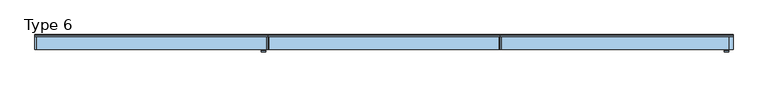
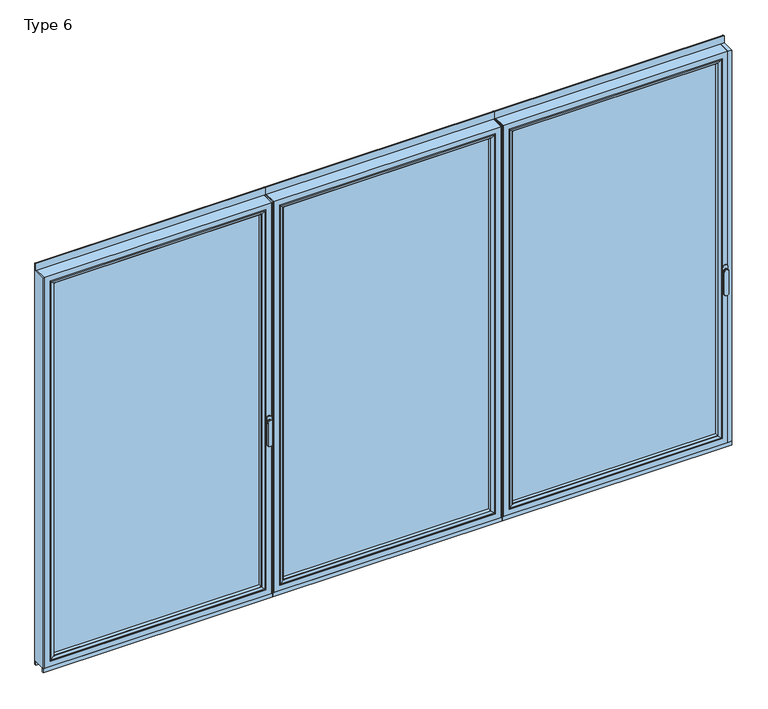
"""IFC4 building model written with IfcOpenShell, lengths in millimetres: window geometry, Type 6."""

from ifc_helpers import new_model, si_unit, point, frame, frame_2d, origin, place, context, project, spatial, polyline, circle_curve, ellipse_curve, trimmed, segment, composite_curve, outline, extrude, source, transform, mapped, element, save
from ifc_brep_helpers import plane_surface, cylinder_surface, extruded_surface, advanced_brep


def type_6_793175e4(model_context):
    return source(origin(), model_context, "Body", "SolidModel", [
        advanced_brep(
        [(-2571.3219146, -63.5, 1050.0), (-2547.344653, -63.5, 1050.0), (-2547.344653, -66.8965533, 1050.0), (-2571.3219146, -66.8965533, 1050.0), (-2571.3219146, -74.5, 1050.0), (-2571.3219146, -74.5, 918.6867153), (-2547.344653, -74.5, 918.6867153), (-2547.344653, -74.5, 1050.0), (-2547.344653, -66.8965533, 918.6867153), (-2571.3219146, -66.8965533, 918.6867153)],
        [
            (0, 1, circle_curve(frame((-2559.3332838, -63.5, 1050.0), z_axis=(0.0, 1.0, 0.0), x_axis=(1.0, 0.0, 0.0)), 11.9886308)),
            (1, 0, circle_curve(frame((-2559.3332838, -63.5, 1050.0), z_axis=(0.0, 1.0, 0.0), x_axis=(1.0, 0.0, 0.0)), 11.9886308)),
            (1, 2),
            (2, 3, circle_curve(frame((-2559.3332838, -66.8965533, 1050.0), z_axis=(0.0, 1.0, 0.0), x_axis=(1.0, 0.0, 0.0)), 11.9886308)),
            (3, 0),
            (3, 2, circle_curve(frame((-2559.3332838, -66.8965533, 1050.0), z_axis=(0.0, 1.0, 0.0), x_axis=(1.0, 0.0, 0.0)), 11.9886308)),
            (4, 5),
            (5, 6, ellipse_curve(frame((-2559.3332838, -74.5, 918.6867153), z_axis=(0.0, -1.0, 0.0), x_axis=(-1.0, 0.0, 0.0)), 11.9886308, 7.9050795)),
            (6, 7),
            (7, 4, circle_curve(frame((-2559.3332838, -74.5, 1050.0), z_axis=(0.0, -1.0, 0.0), x_axis=(1.0, 0.0, 0.0)), 11.9886308)),
            (2, 8),
            (8, 9, ellipse_curve(frame((-2559.3332838, -66.8965533, 918.6867153), z_axis=(0.0, 1.0, 0.0), x_axis=(-1.0, 0.0, 0.0)), 11.9886308, 7.9050795)),
            (9, 3),
            (4, 3),
            (9, 5),
            (8, 6),
            (2, 7),
        ],
        [
            plane_surface(frame((-2547.344653, -63.5, 1050.0), z_axis=(0.0, 1.0, 0.0), x_axis=(0.0, 0.0, -1.0))),
            cylinder_surface(frame((-2559.3332838, -63.5, 1050.0), z_axis=(0.0, -1.0, 0.0), x_axis=(1.0, 0.0, 0.0)), 11.9886308),
            plane_surface(frame((-2571.3219146, -74.5, 928.3382074), z_axis=(0.0, -1.0, 0.0), x_axis=(0.0, 0.0, -1.0))),
            plane_surface(frame((-2571.3219146, -66.8965533, 928.3382074), z_axis=(0.0, 1.0, 0.0), x_axis=(0.0, 0.0, 1.0))),
            plane_surface(frame((-2571.3219146, -74.5, 1050.0), z_axis=(-1.0, 0.0, 0.0), x_axis=(0.0, 1.0, 0.0))),
            extruded_surface(trimmed(ellipse_curve(frame((-2559.3332838, -59.2931066, 918.6867153), z_axis=(0.0, -1.0, 0.0), x_axis=(-1.0, 0.0, 0.0)), 11.9886308, 7.9050795), [point((-2571.3219146, -59.2931066, 918.6867153))], [point((-2547.344653, -59.2931066, 918.6867153))], True, "CARTESIAN"), (0.0, -7.603446699999992, 0.0), 7.603446699999992),
            plane_surface(frame((-2547.344653, -74.5, 918.6867153), z_axis=(1.0, 0.0, 0.0), x_axis=(0.0, 1.0, 0.0))),
            cylinder_surface(frame((-2559.3332838, -66.8965533, 1050.0), z_axis=(0.0, -1.0, 0.0), x_axis=(1.0, 0.0, 0.0)), 11.9886308),
        ],
        [
            (0, [[1, 2]]),
            (1, [[-2, 3, 4, 5]]),
            (1, [[-1, -5, 6, -3]]),
            (2, [[7, 8, 9, 10]]),
            (3, [[11, 12, 13, -4]]),
            (4, [[-7, 14, -13, 15]]),
            (5, [[-8, -15, -12, 16]]),
            (6, [[-9, -16, -11, 17]]),
            (7, [[-10, -17, -6, -14]]),
        ],
    ),
        extrude(outline(composite_curve([segment(polyline([(1068.75, -2573.3332838), (1031.25, -2573.3332838)]), True, "CONTINUOUS"), segment(trimmed(circle_curve(frame_2d((1031.25, -2559.3332838)), 14.0), [point((1031.25, -2573.3332838))], [point((1031.25, -2545.3332838))], False, "CARTESIAN"), True, "CONTINUOUS"), segment(polyline([(1031.25, -2545.3332838), (1068.75, -2545.3332838)]), True, "CONTINUOUS"), segment(trimmed(circle_curve(frame_2d((1068.75, -2559.3332838)), 14.0), [point((1068.75, -2545.3332838))], [point((1068.75, -2573.3332838))], False, "CARTESIAN"), True, "CONTINUOUS")], self_intersect=False)), frame((0.0, -63.5, 0.0), z_axis=(0.0, 1.0, 0.0), x_axis=(0.0, 0.0, 1.0)), (0.0, 0.0, 1.0), 3.5),
        extrude(outline(polyline([(-3805.9999505, 20.0), (-3799.9999505, 20.0), (-3799.9999505, -60.0), (-3805.9999505, -60.0), (-3805.9999505, 20.0)])), frame((0.0, 0.0, 37.5), z_axis=(0.0, 0.0, 1.0), x_axis=(1.0, 0.0, 0.0)), (0.0, 0.0, 1.0), 2286.5),
        extrude(outline(polyline([(-2537.3332838, 20.0), (-2537.3332838, -60.0), (-2543.3332838, -60.0), (-2543.3332838, 20.0), (-2537.3332838, 20.0)])), frame((0.0, 0.0, 37.5), z_axis=(0.0, 0.0, 1.0), x_axis=(1.0, 0.0, 0.0)), (0.0, 0.0, 1.0), 2286.5),
        advanced_brep(
        [(-3799.9999505, -60.0, 2324.0), (-3799.9999505, 20.0, 2324.0), (-3799.9999505, 20.0, 37.5), (-3799.9999505, -60.0, 37.5), (-2543.3332838, 20.0, 37.5), (-2543.3332838, -60.0, 37.5), (-2543.3332838, 20.0, 2324.0), (-2588.8329131, 20.0, 82.9996293), (-2588.8329131, 20.0, 2278.5003707), (-3754.5003212, 20.0, 2278.5003707), (-3754.5003212, 20.0, 82.9996293), (-2543.3332838, -60.0, 2324.0), (-3767.9999505, -60.0, 69.5), (-3767.9999505, -60.0, 2292.0), (-2575.3332838, -60.0, 2292.0), (-2575.3332838, -60.0, 69.5), (-3767.9999505, 3.9999997, 2292.0), (-3767.9999505, 3.9999997, 69.5), (-2575.3332838, 3.9999997, 69.5), (-2575.3332838, 3.9999997, 2292.0), (-3749.9999385, 3.9999997, 87.500012), (-3749.9999385, 3.9999997, 2273.999988), (-2593.3332958, 3.9999997, 2273.999988), (-2593.3332958, 3.9999997, 87.500012), (-3749.9999385, 15.4995565, 2273.999988), (-3749.9999385, 15.4995565, 87.500012), (-2593.3332958, 15.4995565, 87.500012), (-2593.3332958, 15.4995565, 2273.999988)],
        [
            (0, 1),
            (1, 2),
            (2, 3),
            (3, 0),
            (2, 4),
            (4, 5),
            (5, 3),
            (1, 6),
            (6, 4),
            (7, 8),
            (8, 9),
            (9, 10),
            (10, 7),
            (6, 11),
            (11, 5),
            (11, 0),
            (12, 13),
            (13, 14),
            (14, 15),
            (15, 12),
            (16, 13),
            (12, 17),
            (17, 16),
            (15, 18),
            (18, 17),
            (14, 19),
            (19, 18),
            (19, 16),
            (20, 21),
            (21, 22),
            (22, 23),
            (23, 20),
            (24, 21),
            (20, 25),
            (25, 24),
            (23, 26),
            (26, 25),
            (22, 27),
            (27, 26),
            (10, 25, ellipse_curve(frame((-3754.5003212, 15.4995565, 82.9996293), z_axis=(0.7071067811865475, 0.0, -0.7071067811865475), x_axis=(-0.7071067811865476, 0.0, -0.7071067811865474)), 6.3645023, 4.5003827)),
            (26, 7, ellipse_curve(frame((-2588.8329131, 15.4995565, 82.9996293), z_axis=(-0.7071067811865475, 0.0, -0.7071067811865475), x_axis=(-0.7071067811865476, 0.0, 0.7071067811865474)), 6.3645023, 4.5003827)),
            (9, 24, ellipse_curve(frame((-3754.5003212, 15.4995565, 2278.5003707), z_axis=(-0.7071067811865475, 0.0, -0.7071067811865475), x_axis=(-0.7071067811865474, 0.0, 0.7071067811865476)), 6.3645023, 4.5003827)),
            (27, 8, ellipse_curve(frame((-2588.8329131, 15.4995565, 2278.5003707), z_axis=(0.7071067811865475, 0.0, -0.7071067811865475), x_axis=(-0.7071067811865474, 0.0, -0.7071067811865476)), 6.3645023, 4.5003827)),
            (24, 27),
        ],
        [
            plane_surface(frame((-3799.9999505, 20.0, 2324.0), z_axis=(-1.0, 0.0, 0.0), x_axis=(0.0, 0.0, -1.0))),
            plane_surface(frame((-3799.9999505, 20.0, 37.5), z_axis=(0.0, 0.0, -1.0), x_axis=(1.0, 0.0, 0.0))),
            plane_surface(frame((-3754.5003212, 20.0, 2278.5003707), z_axis=(0.0, 1.0, 0.0), x_axis=(0.0, 0.0, -1.0))),
            plane_surface(frame((-2543.3332838, 20.0, 37.5), z_axis=(1.0, 0.0, 0.0), x_axis=(0.0, 0.0, 1.0))),
            plane_surface(frame((-3799.9999505, -60.0, 2324.0), z_axis=(0.0, -1.0, 0.0), x_axis=(0.0, 0.0, -1.0))),
            plane_surface(frame((-3767.9999505, -60.0, 2292.0), z_axis=(1.0, 0.0, 0.0), x_axis=(0.0, 0.0, -1.0))),
            plane_surface(frame((-3767.9999505, -60.0, 69.5), z_axis=(0.0, 0.0, 1.0), x_axis=(1.0, 0.0, 0.0))),
            plane_surface(frame((-2575.3332838, -60.0, 69.5), z_axis=(-1.0, 0.0, 0.0), x_axis=(0.0, 0.0, 1.0))),
            plane_surface(frame((-3767.9999505, 3.9999997, 2292.0), z_axis=(0.0, -1.0, 0.0), x_axis=(0.0, 0.0, -1.0))),
            plane_surface(frame((-3749.9999385, 3.9999997, 2273.999988), z_axis=(1.0, 0.0, 0.0), x_axis=(0.0, 0.0, -1.0))),
            plane_surface(frame((-3749.9999385, 3.9999997, 87.500012), z_axis=(0.0, 0.0, 1.0), x_axis=(1.0, 0.0, 0.0))),
            plane_surface(frame((-2593.3332958, 3.9999997, 87.500012), z_axis=(-1.0, 0.0, 0.0), x_axis=(0.0, 0.0, 1.0))),
            cylinder_surface(frame((-3805.9999505, 15.4995565, 82.9996293), z_axis=(-1.0, 0.0, 0.0), x_axis=(0.0, -1.0, 0.0)), 4.5003827),
            cylinder_surface(frame((-3754.5003212, 15.4995565, 2330.0), z_axis=(0.0, 0.0, 1.0), x_axis=(0.0, -1.0, 0.0)), 4.5003827),
            cylinder_surface(frame((-2588.8329131, 15.4995565, 31.5), z_axis=(0.0, 0.0, -1.0), x_axis=(0.0, -1.0, 0.0)), 4.5003827),
            plane_surface(frame((-2543.3332838, 20.0, 2324.0), z_axis=(0.0, 0.0, 1.0), x_axis=(-1.0, 0.0, 0.0))),
            plane_surface(frame((-2575.3332838, -60.0, 2292.0), z_axis=(0.0, 0.0, -1.0), x_axis=(-1.0, 0.0, 0.0))),
            plane_surface(frame((-2593.3332958, 3.9999997, 2273.999988), z_axis=(0.0, 0.0, -1.0), x_axis=(-1.0, 0.0, 0.0))),
            cylinder_surface(frame((-2537.3332838, 15.4995565, 2278.5003707), z_axis=(1.0, 0.0, 0.0), x_axis=(0.0, -1.0, 0.0)), 4.5003827),
        ],
        [
            (0, [[1, 2, 3, 4]]),
            (1, [[-3, 5, 6, 7]]),
            (2, [[-2, 8, 9, -5], [10, 11, 12, 13]]),
            (3, [[-6, -9, 14, 15]]),
            (4, [[-15, 16, -4, -7], [17, 18, 19, 20]]),
            (5, [[21, -17, 22, 23]]),
            (6, [[-22, -20, 24, 25]]),
            (7, [[-24, -19, 26, 27]]),
            (8, [[-27, 28, -23, -25], [29, 30, 31, 32]]),
            (9, [[33, -29, 34, 35]]),
            (10, [[-34, -32, 36, 37]]),
            (11, [[-36, -31, 38, 39]]),
            (12, [[40, -37, 41, -13]]),
            (13, [[42, -35, -40, -12]]),
            (14, [[-41, -39, 43, -10]]),
            (15, [[-14, -8, -1, -16]]),
            (16, [[-26, -18, -21, -28]]),
            (17, [[-38, -30, -33, 44]]),
            (18, [[-43, -44, -42, -11]]),
        ],
    ),
        extrude(outline(polyline([(-3767.9996333, 3.9999997), (-2575.333601, 3.9999997), (-2575.333601, -34.0000003), (-3767.9996333, -34.0000003), (-3767.9996333, 3.9999997)])), frame((0.0, 0.0, 69.5003172), z_axis=(0.0, 0.0, 1.0), x_axis=(1.0, 0.0, 0.0)), (0.0, 0.0, 1.0), 2222.4993657),
        advanced_brep(
        [(-2597.3331737, -54.5552044, 2270.0001101), (-2597.3331737, -34.0000003, 2270.0001101), (-2597.3331737, -34.0000003, 91.4998899), (-2597.3331737, -54.5552044, 91.4998899), (-2575.333601, -34.0000003, 2291.9996828), (-2575.333601, -34.0000003, 69.5003172), (-3767.9996333, -34.0000003, 69.5003172), (-3767.9996333, -34.0000003, 2291.9996828), (-3746.0000606, -34.0000003, 2270.0001101), (-3746.0000606, -34.0000003, 91.4998899), (-3746.0000606, -54.5552044, 91.4998899), (-2596.6236303, -55.8045072, 2270.7096535), (-2596.6236303, -55.8045072, 90.7903465), (-3746.709604, -55.8045072, 90.7903465), (-2581.3335399, -60.0, 2285.9997439), (-2581.3335399, -60.0, 75.5002561), (-3761.9996944, -60.0, 75.5002561), (-3767.9996333, -60.0, 2291.9996828), (-3767.9996333, -60.0, 69.5003172), (-2575.333601, -60.0, 69.5003172), (-2575.333601, -60.0, 2291.9996828), (-3761.9996944, -60.0, 2285.9997439), (-3746.0000606, -54.5552044, 2270.0001101), (-3746.709604, -55.8045072, 2270.7096535)],
        [
            (0, 1),
            (1, 2),
            (2, 3),
            (3, 0),
            (4, 5),
            (5, 6),
            (6, 7),
            (7, 4),
            (8, 9),
            (9, 2),
            (1, 8),
            (9, 10),
            (10, 3),
            (11, 0, ellipse_curve(frame((-2595.8785698, -54.5552044, 2271.4547141), z_axis=(0.7071067811865475, 0.0, -0.7071067811865475), x_axis=(0.7071067811865474, 0.0, 0.7071067811865476)), 2.0571207, 1.454604)),
            (3, 12, ellipse_curve(frame((-2595.8785698, -54.5552044, 90.0452859), z_axis=(0.7071067811865475, 0.0, 0.7071067811865475), x_axis=(-0.7071067811865474, 0.0, 0.7071067811865476)), 2.0571207, 1.454604)),
            (12, 11),
            (10, 13, ellipse_curve(frame((-3747.4546645, -54.5552044, 90.0452859), z_axis=(0.7071067811865475, 0.0, -0.7071067811865475), x_axis=(0.7071067811865476, 0.0, 0.7071067811865474)), 2.0571207, 1.454604)),
            (13, 12),
            (14, 11, ellipse_curve(frame((-2581.3974755, -30.2735922, 2285.9358083), z_axis=(0.7071067811865475, 0.0, -0.7071067811865475), x_axis=(0.7071067811865474, 0.0, 0.7071067811865476)), 42.0395863, 29.7264765)),
            (12, 15, ellipse_curve(frame((-2581.3974755, -30.2735922, 75.5641917), z_axis=(0.7071067811865475, 0.0, 0.7071067811865475), x_axis=(-0.7071067811865474, 0.0, 0.7071067811865476)), 42.0395863, 29.7264765)),
            (15, 14),
            (13, 16, ellipse_curve(frame((-3761.9357588, -30.2735922, 75.5641917), z_axis=(0.7071067811865475, 0.0, -0.7071067811865475), x_axis=(0.7071067811865476, 0.0, 0.7071067811865474)), 42.0395863, 29.7264765)),
            (16, 15),
            (17, 18),
            (18, 19),
            (19, 20),
            (20, 17),
            (16, 21),
            (21, 14),
            (4, 20),
            (19, 5),
            (18, 6),
            (8, 22),
            (22, 10),
            (22, 23, ellipse_curve(frame((-3747.4546645, -54.5552044, 2271.4547141), z_axis=(-0.7071067811865475, 0.0, -0.7071067811865475), x_axis=(0.7071067811865474, 0.0, -0.7071067811865476)), 2.0571207, 1.454604)),
            (23, 13),
            (23, 21, ellipse_curve(frame((-3761.9357588, -30.2735922, 2285.9358083), z_axis=(-0.7071067811865475, 0.0, -0.7071067811865475), x_axis=(0.7071067811865474, 0.0, -0.7071067811865476)), 42.0395863, 29.7264765)),
            (17, 7),
            (0, 22),
            (11, 23),
        ],
        [
            plane_surface(frame((-2597.3331737, -34.0000003, 2270.0001101), z_axis=(-1.0, 0.0, 0.0), x_axis=(0.0, 0.0, -1.0))),
            plane_surface(frame((-3767.9996333, -34.0000003, 69.5003172), z_axis=(0.0, 1.0, 0.0), x_axis=(0.0, 0.0, 1.0))),
            plane_surface(frame((-2597.3331737, -34.0000003, 91.4998899), z_axis=(0.0, 0.0, 1.0), x_axis=(-1.0, 0.0, 0.0))),
            cylinder_surface(frame((-2595.8785698, -54.5552044, 2273.999988), z_axis=(0.0, 0.0, 1.0), x_axis=(1.0, 0.0, 0.0)), 1.454604),
            cylinder_surface(frame((-2593.3332958, -54.5552044, 90.0452859), z_axis=(1.0, 0.0, 0.0), x_axis=(0.0, 0.0, -1.0)), 1.454604),
            cylinder_surface(frame((-2581.3974755, -30.2735922, 2273.999988), z_axis=(0.0, 0.0, 1.0), x_axis=(1.0, 0.0, 0.0)), 29.7264765),
            cylinder_surface(frame((-2593.3332958, -30.2735922, 75.5641917), z_axis=(1.0, 0.0, 0.0), x_axis=(0.0, 0.0, -1.0)), 29.7264765),
            plane_surface(frame((-3761.9996944, -60.0, 75.5002561), z_axis=(0.0, -1.0, 0.0), x_axis=(0.0, 0.0, 1.0))),
            plane_surface(frame((-2575.333601, -60.0, 2291.9996828), z_axis=(1.0, 0.0, 0.0), x_axis=(0.0, 0.0, -1.0))),
            plane_surface(frame((-2575.333601, -60.0, 69.5003172), z_axis=(0.0, 0.0, -1.0), x_axis=(-1.0, 0.0, 0.0))),
            plane_surface(frame((-3746.0000606, -34.0000003, 91.4998899), z_axis=(1.0, 0.0, 0.0), x_axis=(0.0, 0.0, 1.0))),
            cylinder_surface(frame((-3747.4546645, -54.5552044, 87.500012), z_axis=(0.0, 0.0, -1.0), x_axis=(-1.0, 0.0, 0.0)), 1.454604),
            cylinder_surface(frame((-3761.9357588, -30.2735922, 87.500012), z_axis=(0.0, 0.0, -1.0), x_axis=(-1.0, 0.0, 0.0)), 29.7264765),
            plane_surface(frame((-3767.9996333, -60.0, 69.5003172), z_axis=(-1.0, 0.0, 0.0), x_axis=(0.0, 0.0, 1.0))),
            plane_surface(frame((-3746.0000606, -34.0000003, 2270.0001101), z_axis=(0.0, 0.0, -1.0), x_axis=(1.0, 0.0, 0.0))),
            cylinder_surface(frame((-3749.9999385, -54.5552044, 2271.4547141), z_axis=(-1.0, 0.0, 0.0), x_axis=(0.0, 0.0, 1.0)), 1.454604),
            cylinder_surface(frame((-3749.9999385, -30.2735922, 2285.9358083), z_axis=(-1.0, 0.0, 0.0), x_axis=(0.0, 0.0, 1.0)), 29.7264765),
            plane_surface(frame((-3767.9996333, -60.0, 2291.9996828), z_axis=(0.0, 0.0, 1.0), x_axis=(1.0, 0.0, 0.0))),
        ],
        [
            (0, [[1, 2, 3, 4]]),
            (1, [[5, 6, 7, 8], [9, 10, -2, 11]]),
            (2, [[-3, -10, 12, 13]]),
            (3, [[14, -4, 15, 16]]),
            (4, [[-15, -13, 17, 18]]),
            (5, [[19, -16, 20, 21]]),
            (6, [[-20, -18, 22, 23]]),
            (7, [[24, 25, 26, 27], [-21, -23, 28, 29]]),
            (8, [[30, -26, 31, -5]]),
            (9, [[-31, -25, 32, -6]]),
            (10, [[-12, -9, 33, 34]]),
            (11, [[-17, -34, 35, 36]]),
            (12, [[-22, -36, 37, -28]]),
            (13, [[-32, -24, 38, -7]]),
            (14, [[-33, -11, -1, 39]]),
            (15, [[-35, -39, -14, 40]]),
            (16, [[-37, -40, -19, -29]]),
            (17, [[-38, -27, -30, -8]]),
        ],
    ),
        extrude(outline(composite_curve([segment(polyline([(20.0, 2362.5), (20.0, 2324.0), (10.0, 2324.0), (10.0, 2365.0), (17.5, 2365.0)]), True, "CONTINUOUS"), segment(trimmed(circle_curve(frame_2d((17.5, 2362.5)), 2.5), [point((17.5, 2365.0))], [point((20.0, 2362.5))], False, "CARTESIAN"), True, "CONTINUOUS")], self_intersect=False)), frame((-3805.9999505, 0.0, 0.0), z_axis=(1.0, 0.0, 0.0), x_axis=(0.0, 1.0, 0.0)), (0.0, 0.0, 1.0), 1268.6666667),
        extrude(outline(polyline([(-2537.3332838, 20.0), (-2537.3332838, 10.0), (-3805.9999505, 10.0), (-3805.9999505, 20.0), (-2537.3332838, 20.0)])), frame((0.0, 0.0, 15.5), z_axis=(0.0, 0.0, 1.0), x_axis=(1.0, 0.0, 0.0)), (0.0, 0.0, 1.0), 22.0),
        extrude(outline(polyline([(-2537.3332838, -50.0), (-2537.3332838, -60.0), (-3805.9999505, -60.0), (-3805.9999505, -50.0), (-2537.3332838, -50.0)])), frame((0.0, 0.0, 15.5), z_axis=(0.0, 0.0, 1.0), x_axis=(1.0, 0.0, 0.0)), (0.0, 0.0, 1.0), 22.0),
        advanced_brep(
        [(-47.9885978, -63.5, 1050.0), (-24.0113362, -63.5, 1050.0), (-24.0113362, -66.8965533, 1050.0), (-47.9885978, -66.8965533, 1050.0), (-47.9885978, -74.5, 1050.0), (-47.9885978, -74.5, 918.6867153), (-24.0113362, -74.5, 918.6867153), (-24.0113362, -74.5, 1050.0), (-24.0113362, -66.8965533, 918.6867153), (-47.9885978, -66.8965533, 918.6867153)],
        [
            (0, 1, circle_curve(frame((-35.999967, -63.5, 1050.0), z_axis=(0.0, 1.0, 0.0), x_axis=(1.0, 0.0, 0.0)), 11.9886308)),
            (1, 0, circle_curve(frame((-35.999967, -63.5, 1050.0), z_axis=(0.0, 1.0, 0.0), x_axis=(1.0, 0.0, 0.0)), 11.9886308)),
            (1, 2),
            (2, 3, circle_curve(frame((-35.999967, -66.8965533, 1050.0), z_axis=(0.0, 1.0, 0.0), x_axis=(1.0, 0.0, 0.0)), 11.9886308)),
            (3, 0),
            (3, 2, circle_curve(frame((-35.999967, -66.8965533, 1050.0), z_axis=(0.0, 1.0, 0.0), x_axis=(1.0, 0.0, 0.0)), 11.9886308)),
            (4, 5),
            (5, 6, ellipse_curve(frame((-35.999967, -74.5, 918.6867153), z_axis=(0.0, -1.0, 0.0), x_axis=(-1.0, 0.0, 0.0)), 11.9886308, 7.9050795)),
            (6, 7),
            (7, 4, circle_curve(frame((-35.999967, -74.5, 1050.0), z_axis=(0.0, -1.0, 0.0), x_axis=(1.0, 0.0, 0.0)), 11.9886308)),
            (2, 8),
            (8, 9, ellipse_curve(frame((-35.999967, -66.8965533, 918.6867153), z_axis=(0.0, 1.0, 0.0), x_axis=(-1.0, 0.0, 0.0)), 11.9886308, 7.9050795)),
            (9, 3),
            (4, 3),
            (9, 5),
            (8, 6),
            (2, 7),
        ],
        [
            plane_surface(frame((-24.0113362, -63.5, 1050.0), z_axis=(0.0, 1.0, 0.0), x_axis=(0.0, 0.0, -1.0))),
            cylinder_surface(frame((-35.999967, -63.5, 1050.0), z_axis=(0.0, -1.0, 0.0), x_axis=(1.0, 0.0, 0.0)), 11.9886308),
            plane_surface(frame((-47.9885978, -74.5, 928.3382074), z_axis=(0.0, -1.0, 0.0), x_axis=(0.0, 0.0, -1.0))),
            plane_surface(frame((-47.9885978, -66.8965533, 928.3382074), z_axis=(0.0, 1.0, 0.0), x_axis=(0.0, 0.0, 1.0))),
            plane_surface(frame((-47.9885978, -74.5, 1050.0), z_axis=(-1.0, 0.0, 0.0), x_axis=(0.0, 1.0, 0.0))),
            extruded_surface(trimmed(ellipse_curve(frame((-35.999967, -59.2931066, 918.6867153), z_axis=(0.0, -1.0, 0.0), x_axis=(-1.0, 0.0, 0.0)), 11.9886308, 7.9050795), [point((-47.9885978, -59.2931066, 918.6867153))], [point((-24.0113362, -59.2931066, 918.6867153))], True, "CARTESIAN"), (0.0, -7.603446699999992, 0.0), 7.603446699999992),
            plane_surface(frame((-24.0113362, -74.5, 918.6867153), z_axis=(1.0, 0.0, 0.0), x_axis=(0.0, 1.0, 0.0))),
            cylinder_surface(frame((-35.999967, -66.8965533, 1050.0), z_axis=(0.0, -1.0, 0.0), x_axis=(1.0, 0.0, 0.0)), 11.9886308),
        ],
        [
            (0, [[1, 2]]),
            (1, [[-2, 3, 4, 5]]),
            (1, [[-1, -5, 6, -3]]),
            (2, [[7, 8, 9, 10]]),
            (3, [[11, 12, 13, -4]]),
            (4, [[-7, 14, -13, 15]]),
            (5, [[-8, -15, -12, 16]]),
            (6, [[-9, -16, -11, 17]]),
            (7, [[-10, -17, -6, -14]]),
        ],
    ),
        extrude(outline(composite_curve([segment(polyline([(1068.75, -49.999967), (1031.25, -49.999967)]), True, "CONTINUOUS"), segment(trimmed(circle_curve(frame_2d((1031.25, -35.999967)), 14.0), [point((1031.25, -49.999967))], [point((1031.25, -21.999967))], False, "CARTESIAN"), True, "CONTINUOUS"), segment(polyline([(1031.25, -21.999967), (1068.75, -21.999967)]), True, "CONTINUOUS"), segment(trimmed(circle_curve(frame_2d((1068.75, -35.999967)), 14.0), [point((1068.75, -21.999967))], [point((1068.75, -49.999967))], False, "CARTESIAN"), True, "CONTINUOUS")], self_intersect=False)), frame((0.0, -63.5, 0.0), z_axis=(0.0, 1.0, 0.0), x_axis=(0.0, 0.0, 1.0)), (0.0, 0.0, 1.0), 3.5),
        extrude(outline(polyline([(-1268.6666337, 20.0), (-1262.6666337, 20.0), (-1262.6666337, -60.0), (-1268.6666337, -60.0), (-1268.6666337, 20.0)])), frame((0.0, 0.0, 37.5), z_axis=(0.0, 0.0, 1.0), x_axis=(1.0, 0.0, 0.0)), (0.0, 0.0, 1.0), 2286.5),
        extrude(outline(polyline([(3.3e-05, 20.0), (3.3e-05, -60.0), (-19.999967, -60.0), (-19.999967, 20.0), (3.3e-05, 20.0)])), frame((0.0, 0.0, 37.5), z_axis=(0.0, 0.0, 1.0), x_axis=(1.0, 0.0, 0.0)), (0.0, 0.0, 1.0), 2286.5),
        advanced_brep(
        [(-1262.6666337, -60.0, 2324.0), (-1262.6666337, 20.0, 2324.0), (-1262.6666337, 20.0, 37.5), (-1262.6666337, -60.0, 37.5), (-19.999967, 20.0, 37.5), (-19.999967, -60.0, 37.5), (-19.999967, 20.0, 2324.0), (-65.4995963, 20.0, 82.9996293), (-65.4995963, 20.0, 2278.5003707), (-1217.1670044, 20.0, 2278.5003707), (-1217.1670044, 20.0, 82.9996293), (-19.999967, -60.0, 2324.0), (-1230.6666337, -60.0, 69.5), (-1230.6666337, -60.0, 2292.0), (-51.999967, -60.0, 2292.0), (-51.999967, -60.0, 69.5), (-1230.6666337, 3.9999997, 2292.0), (-1230.6666337, 3.9999997, 69.5), (-51.999967, 3.9999997, 69.5), (-51.999967, 3.9999997, 2292.0), (-1212.6666217, 3.9999997, 87.500012), (-1212.6666217, 3.9999997, 2273.999988), (-69.9999789, 3.9999997, 2273.999988), (-69.9999789, 3.9999997, 87.500012), (-1212.6666217, 15.4995565, 2273.999988), (-1212.6666217, 15.4995565, 87.500012), (-69.9999789, 15.4995565, 87.500012), (-69.9999789, 15.4995565, 2273.999988)],
        [
            (0, 1),
            (1, 2),
            (2, 3),
            (3, 0),
            (2, 4),
            (4, 5),
            (5, 3),
            (1, 6),
            (6, 4),
            (7, 8),
            (8, 9),
            (9, 10),
            (10, 7),
            (6, 11),
            (11, 5),
            (11, 0),
            (12, 13),
            (13, 14),
            (14, 15),
            (15, 12),
            (16, 13),
            (12, 17),
            (17, 16),
            (15, 18),
            (18, 17),
            (14, 19),
            (19, 18),
            (19, 16),
            (20, 21),
            (21, 22),
            (22, 23),
            (23, 20),
            (24, 21),
            (20, 25),
            (25, 24),
            (23, 26),
            (26, 25),
            (22, 27),
            (27, 26),
            (10, 25, ellipse_curve(frame((-1217.1670044, 15.4995565, 82.9996293), z_axis=(0.7071067811865475, 0.0, -0.7071067811865475), x_axis=(-0.7071067811865476, 0.0, -0.7071067811865474)), 6.3645023, 4.5003827)),
            (26, 7, ellipse_curve(frame((-65.4995963, 15.4995565, 82.9996293), z_axis=(-0.7071067811865475, 0.0, -0.7071067811865475), x_axis=(-0.7071067811865476, 0.0, 0.7071067811865474)), 6.3645023, 4.5003827)),
            (9, 24, ellipse_curve(frame((-1217.1670044, 15.4995565, 2278.5003707), z_axis=(-0.7071067811865475, 0.0, -0.7071067811865475), x_axis=(-0.7071067811865474, 0.0, 0.7071067811865476)), 6.3645023, 4.5003827)),
            (27, 8, ellipse_curve(frame((-65.4995963, 15.4995565, 2278.5003707), z_axis=(0.7071067811865475, 0.0, -0.7071067811865475), x_axis=(-0.7071067811865474, 0.0, -0.7071067811865476)), 6.3645023, 4.5003827)),
            (24, 27),
        ],
        [
            plane_surface(frame((-1262.6666337, 20.0, 2324.0), z_axis=(-1.0, 0.0, 0.0), x_axis=(0.0, 0.0, -1.0))),
            plane_surface(frame((-1262.6666337, 20.0, 37.5), z_axis=(0.0, 0.0, -1.0), x_axis=(1.0, 0.0, 0.0))),
            plane_surface(frame((-1217.1670044, 20.0, 2278.5003707), z_axis=(0.0, 1.0, 0.0), x_axis=(0.0, 0.0, -1.0))),
            plane_surface(frame((-19.999967, 20.0, 37.5), z_axis=(1.0, 0.0, 0.0), x_axis=(0.0, 0.0, 1.0))),
            plane_surface(frame((-1262.6666337, -60.0, 2324.0), z_axis=(0.0, -1.0, 0.0), x_axis=(0.0, 0.0, -1.0))),
            plane_surface(frame((-1230.6666337, -60.0, 2292.0), z_axis=(1.0, 0.0, 0.0), x_axis=(0.0, 0.0, -1.0))),
            plane_surface(frame((-1230.6666337, -60.0, 69.5), z_axis=(0.0, 0.0, 1.0), x_axis=(1.0, 0.0, 0.0))),
            plane_surface(frame((-51.999967, -60.0, 69.5), z_axis=(-1.0, 0.0, 0.0), x_axis=(0.0, 0.0, 1.0))),
            plane_surface(frame((-1230.6666337, 3.9999997, 2292.0), z_axis=(0.0, -1.0, 0.0), x_axis=(0.0, 0.0, -1.0))),
            plane_surface(frame((-1212.6666217, 3.9999997, 2273.999988), z_axis=(1.0, 0.0, 0.0), x_axis=(0.0, 0.0, -1.0))),
            plane_surface(frame((-1212.6666217, 3.9999997, 87.500012), z_axis=(0.0, 0.0, 1.0), x_axis=(1.0, 0.0, 0.0))),
            plane_surface(frame((-69.9999789, 3.9999997, 87.500012), z_axis=(-1.0, 0.0, 0.0), x_axis=(0.0, 0.0, 1.0))),
            cylinder_surface(frame((-1268.6666337, 15.4995565, 82.9996293), z_axis=(-1.0, 0.0, 0.0), x_axis=(0.0, -1.0, 0.0)), 4.5003827),
            cylinder_surface(frame((-1217.1670044, 15.4995565, 2330.0), z_axis=(0.0, 0.0, 1.0), x_axis=(0.0, -1.0, 0.0)), 4.5003827),
            cylinder_surface(frame((-65.4995963, 15.4995565, 31.5), z_axis=(0.0, 0.0, -1.0), x_axis=(0.0, -1.0, 0.0)), 4.5003827),
            plane_surface(frame((-19.999967, 20.0, 2324.0), z_axis=(0.0, 0.0, 1.0), x_axis=(-1.0, 0.0, 0.0))),
            plane_surface(frame((-51.999967, -60.0, 2292.0), z_axis=(0.0, 0.0, -1.0), x_axis=(-1.0, 0.0, 0.0))),
            plane_surface(frame((-69.9999789, 3.9999997, 2273.999988), z_axis=(0.0, 0.0, -1.0), x_axis=(-1.0, 0.0, 0.0))),
            cylinder_surface(frame((-13.999967, 15.4995565, 2278.5003707), z_axis=(1.0, 0.0, 0.0), x_axis=(0.0, -1.0, 0.0)), 4.5003827),
        ],
        [
            (0, [[1, 2, 3, 4]]),
            (1, [[-3, 5, 6, 7]]),
            (2, [[-2, 8, 9, -5], [10, 11, 12, 13]]),
            (3, [[-6, -9, 14, 15]]),
            (4, [[-15, 16, -4, -7], [17, 18, 19, 20]]),
            (5, [[21, -17, 22, 23]]),
            (6, [[-22, -20, 24, 25]]),
            (7, [[-24, -19, 26, 27]]),
            (8, [[-27, 28, -23, -25], [29, 30, 31, 32]]),
            (9, [[33, -29, 34, 35]]),
            (10, [[-34, -32, 36, 37]]),
            (11, [[-36, -31, 38, 39]]),
            (12, [[40, -37, 41, -13]]),
            (13, [[42, -35, -40, -12]]),
            (14, [[-41, -39, 43, -10]]),
            (15, [[-14, -8, -1, -16]]),
            (16, [[-26, -18, -21, -28]]),
            (17, [[-38, -30, -33, 44]]),
            (18, [[-43, -44, -42, -11]]),
        ],
    ),
        extrude(outline(polyline([(-1230.6663165, 3.9999997), (-52.0002841, 3.9999997), (-52.0002841, -34.0000003), (-1230.6663165, -34.0000003), (-1230.6663165, 3.9999997)])), frame((0.0, 0.0, 69.5003172), z_axis=(0.0, 0.0, 1.0), x_axis=(1.0, 0.0, 0.0)), (0.0, 0.0, 1.0), 2222.4993657),
        advanced_brep(
        [(-73.9998569, -54.5552044, 2270.0001101), (-73.9998569, -34.0000003, 2270.0001101), (-73.9998569, -34.0000003, 91.4998899), (-73.9998569, -54.5552044, 91.4998899), (-52.0002841, -34.0000003, 2291.9996828), (-52.0002841, -34.0000003, 69.5003172), (-1230.6663165, -34.0000003, 69.5003172), (-1230.6663165, -34.0000003, 2291.9996828), (-1208.6667437, -34.0000003, 2270.0001101), (-1208.6667437, -34.0000003, 91.4998899), (-1208.6667437, -54.5552044, 91.4998899), (-73.2903135, -55.8045072, 2270.7096535), (-73.2903135, -55.8045072, 90.7903465), (-1209.3762872, -55.8045072, 90.7903465), (-58.0002231, -60.0, 2285.9997439), (-58.0002231, -60.0, 75.5002561), (-1224.6663775, -60.0, 75.5002561), (-1230.6663165, -60.0, 2291.9996828), (-1230.6663165, -60.0, 69.5003172), (-52.0002841, -60.0, 69.5003172), (-52.0002841, -60.0, 2291.9996828), (-1224.6663775, -60.0, 2285.9997439), (-1208.6667437, -54.5552044, 2270.0001101), (-1209.3762872, -55.8045072, 2270.7096535)],
        [
            (0, 1),
            (1, 2),
            (2, 3),
            (3, 0),
            (4, 5),
            (5, 6),
            (6, 7),
            (7, 4),
            (8, 9),
            (9, 2),
            (1, 8),
            (9, 10),
            (10, 3),
            (11, 0, ellipse_curve(frame((-72.5452529, -54.5552044, 2271.4547141), z_axis=(0.7071067811865475, 0.0, -0.7071067811865475), x_axis=(0.7071067811865474, 0.0, 0.7071067811865476)), 2.0571207, 1.454604)),
            (3, 12, ellipse_curve(frame((-72.5452529, -54.5552044, 90.0452859), z_axis=(0.7071067811865475, 0.0, 0.7071067811865475), x_axis=(-0.7071067811865474, 0.0, 0.7071067811865476)), 2.0571207, 1.454604)),
            (12, 11),
            (10, 13, ellipse_curve(frame((-1210.1213477, -54.5552044, 90.0452859), z_axis=(0.7071067811865475, 0.0, -0.7071067811865475), x_axis=(0.7071067811865476, 0.0, 0.7071067811865474)), 2.0571207, 1.454604)),
            (13, 12),
            (14, 11, ellipse_curve(frame((-58.0641587, -30.2735922, 2285.9358083), z_axis=(0.7071067811865475, 0.0, -0.7071067811865475), x_axis=(0.7071067811865474, 0.0, 0.7071067811865476)), 42.0395863, 29.7264765)),
            (12, 15, ellipse_curve(frame((-58.0641587, -30.2735922, 75.5641917), z_axis=(0.7071067811865475, 0.0, 0.7071067811865475), x_axis=(-0.7071067811865474, 0.0, 0.7071067811865476)), 42.0395863, 29.7264765)),
            (15, 14),
            (13, 16, ellipse_curve(frame((-1224.6024419, -30.2735922, 75.5641917), z_axis=(0.7071067811865475, 0.0, -0.7071067811865475), x_axis=(0.7071067811865476, 0.0, 0.7071067811865474)), 42.0395863, 29.7264765)),
            (16, 15),
            (17, 18),
            (18, 19),
            (19, 20),
            (20, 17),
            (16, 21),
            (21, 14),
            (4, 20),
            (19, 5),
            (18, 6),
            (8, 22),
            (22, 10),
            (22, 23, ellipse_curve(frame((-1210.1213477, -54.5552044, 2271.4547141), z_axis=(-0.7071067811865475, 0.0, -0.7071067811865475), x_axis=(0.7071067811865474, 0.0, -0.7071067811865476)), 2.0571207, 1.454604)),
            (23, 13),
            (23, 21, ellipse_curve(frame((-1224.6024419, -30.2735922, 2285.9358083), z_axis=(-0.7071067811865475, 0.0, -0.7071067811865475), x_axis=(0.7071067811865474, 0.0, -0.7071067811865476)), 42.0395863, 29.7264765)),
            (17, 7),
            (0, 22),
            (11, 23),
        ],
        [
            plane_surface(frame((-73.9998569, -34.0000003, 2270.0001101), z_axis=(-1.0, 0.0, 0.0), x_axis=(0.0, 0.0, -1.0))),
            plane_surface(frame((-1230.6663165, -34.0000003, 69.5003172), z_axis=(0.0, 1.0, 0.0), x_axis=(0.0, 0.0, 1.0))),
            plane_surface(frame((-73.9998569, -34.0000003, 91.4998899), z_axis=(0.0, 0.0, 1.0), x_axis=(-1.0, 0.0, 0.0))),
            cylinder_surface(frame((-72.5452529, -54.5552044, 2273.999988), z_axis=(0.0, 0.0, 1.0), x_axis=(1.0, 0.0, 0.0)), 1.454604),
            cylinder_surface(frame((-69.9999789, -54.5552044, 90.0452859), z_axis=(1.0, 0.0, 0.0), x_axis=(0.0, 0.0, -1.0)), 1.454604),
            cylinder_surface(frame((-58.0641587, -30.2735922, 2273.999988), z_axis=(0.0, 0.0, 1.0), x_axis=(1.0, 0.0, 0.0)), 29.7264765),
            cylinder_surface(frame((-69.9999789, -30.2735922, 75.5641917), z_axis=(1.0, 0.0, 0.0), x_axis=(0.0, 0.0, -1.0)), 29.7264765),
            plane_surface(frame((-1224.6663775, -60.0, 75.5002561), z_axis=(0.0, -1.0, 0.0), x_axis=(0.0, 0.0, 1.0))),
            plane_surface(frame((-52.0002841, -60.0, 2291.9996828), z_axis=(1.0, 0.0, 0.0), x_axis=(0.0, 0.0, -1.0))),
            plane_surface(frame((-52.0002841, -60.0, 69.5003172), z_axis=(0.0, 0.0, -1.0), x_axis=(-1.0, 0.0, 0.0))),
            plane_surface(frame((-1208.6667437, -34.0000003, 91.4998899), z_axis=(1.0, 0.0, 0.0), x_axis=(0.0, 0.0, 1.0))),
            cylinder_surface(frame((-1210.1213477, -54.5552044, 87.500012), z_axis=(0.0, 0.0, -1.0), x_axis=(-1.0, 0.0, 0.0)), 1.454604),
            cylinder_surface(frame((-1224.6024419, -30.2735922, 87.500012), z_axis=(0.0, 0.0, -1.0), x_axis=(-1.0, 0.0, 0.0)), 29.7264765),
            plane_surface(frame((-1230.6663165, -60.0, 69.5003172), z_axis=(-1.0, 0.0, 0.0), x_axis=(0.0, 0.0, 1.0))),
            plane_surface(frame((-1208.6667437, -34.0000003, 2270.0001101), z_axis=(0.0, 0.0, -1.0), x_axis=(1.0, 0.0, 0.0))),
            cylinder_surface(frame((-1212.6666217, -54.5552044, 2271.4547141), z_axis=(-1.0, 0.0, 0.0), x_axis=(0.0, 0.0, 1.0)), 1.454604),
            cylinder_surface(frame((-1212.6666217, -30.2735922, 2285.9358083), z_axis=(-1.0, 0.0, 0.0), x_axis=(0.0, 0.0, 1.0)), 29.7264765),
            plane_surface(frame((-1230.6663165, -60.0, 2291.9996828), z_axis=(0.0, 0.0, 1.0), x_axis=(1.0, 0.0, 0.0))),
        ],
        [
            (0, [[1, 2, 3, 4]]),
            (1, [[5, 6, 7, 8], [9, 10, -2, 11]]),
            (2, [[-3, -10, 12, 13]]),
            (3, [[14, -4, 15, 16]]),
            (4, [[-15, -13, 17, 18]]),
            (5, [[19, -16, 20, 21]]),
            (6, [[-20, -18, 22, 23]]),
            (7, [[24, 25, 26, 27], [-21, -23, 28, 29]]),
            (8, [[30, -26, 31, -5]]),
            (9, [[-31, -25, 32, -6]]),
            (10, [[-12, -9, 33, 34]]),
            (11, [[-17, -34, 35, 36]]),
            (12, [[-22, -36, 37, -28]]),
            (13, [[-32, -24, 38, -7]]),
            (14, [[-33, -11, -1, 39]]),
            (15, [[-35, -39, -14, 40]]),
            (16, [[-37, -40, -19, -29]]),
            (17, [[-38, -27, -30, -8]]),
        ],
    ),
        extrude(outline(composite_curve([segment(polyline([(20.0, 2362.5), (20.0, 2324.0), (10.0, 2324.0), (10.0, 2365.0), (17.5, 2365.0)]), True, "CONTINUOUS"), segment(trimmed(circle_curve(frame_2d((17.5, 2362.5)), 2.5), [point((17.5, 2365.0))], [point((20.0, 2362.5))], False, "CARTESIAN"), True, "CONTINUOUS")], self_intersect=False)), frame((-1268.6666337, 0.0, 0.0), z_axis=(1.0, 0.0, 0.0), x_axis=(0.0, 1.0, 0.0)), (0.0, 0.0, 1.0), 1268.6666667),
        extrude(outline(polyline([(3.3e-05, 20.0), (3.3e-05, 10.0), (-1268.6666337, 10.0), (-1268.6666337, 20.0), (3.3e-05, 20.0)])), frame((0.0, 0.0, 15.5), z_axis=(0.0, 0.0, 1.0), x_axis=(1.0, 0.0, 0.0)), (0.0, 0.0, 1.0), 22.0),
        extrude(outline(polyline([(3.3e-05, -50.0), (3.3e-05, -60.0), (-1268.6666337, -60.0), (-1268.6666337, -50.0), (3.3e-05, -50.0)])), frame((0.0, 0.0, 15.5), z_axis=(0.0, 0.0, 1.0), x_axis=(1.0, 0.0, 0.0)), (0.0, 0.0, 1.0), 22.0),
        extrude(outline(polyline([(-1268.6666254, 20.0), (-1268.6666254, -60.0), (-1274.6666254, -60.0), (-1274.6666254, 20.0), (-1268.6666254, 20.0)])), frame((0.0, 0.0, 37.5), z_axis=(0.0, 0.0, 1.0), x_axis=(1.0, 0.0, 0.0)), (0.0, 0.0, 1.0), 2286.5),
        extrude(outline(polyline([(-2537.3332921, 20.0), (-2531.3332921, 20.0), (-2531.3332921, -60.0), (-2537.3332921, -60.0), (-2537.3332921, 20.0)])), frame((0.0, 0.0, 37.5), z_axis=(0.0, 0.0, 1.0), x_axis=(1.0, 0.0, 0.0)), (0.0, 0.0, 1.0), 2286.5),
        advanced_brep(
        [(-1274.6666254, -60.0, 2324.0), (-1274.6666254, -60.0, 37.5), (-1274.6666254, 20.0, 37.5), (-1274.6666254, 20.0, 2324.0), (-2531.3332921, -60.0, 37.5), (-2531.3332921, 20.0, 37.5), (-2531.3332921, 20.0, 2324.0), (-2485.8336628, 20.0, 82.9996293), (-1320.1662547, 20.0, 82.9996293), (-1320.1662547, 20.0, 2278.5003707), (-2485.8336628, 20.0, 2278.5003707), (-2531.3332921, -60.0, 2324.0), (-1306.6666254, -60.0, 69.5), (-2499.3332921, -60.0, 69.5), (-2499.3332921, -60.0, 2292.0), (-1306.6666254, -60.0, 2292.0), (-1306.6666254, 3.9999997, 2292.0), (-1306.6666254, 3.9999997, 69.5), (-2499.3332921, 3.9999997, 69.5), (-2499.3332921, 3.9999997, 2292.0), (-1324.6666374, 3.9999997, 87.500012), (-2481.3332801, 3.9999997, 87.500012), (-2481.3332801, 3.9999997, 2273.999988), (-1324.6666374, 3.9999997, 2273.999988), (-1324.6666374, 15.4995565, 2273.999988), (-1324.6666374, 15.4995565, 87.500012), (-2481.3332801, 15.4995565, 87.500012), (-2481.3332801, 15.4995565, 2273.999988)],
        [
            (0, 1),
            (1, 2),
            (2, 3),
            (3, 0),
            (1, 4),
            (4, 5),
            (5, 2),
            (5, 6),
            (6, 3),
            (7, 8),
            (8, 9),
            (9, 10),
            (10, 7),
            (4, 11),
            (11, 6),
            (0, 11),
            (12, 13),
            (13, 14),
            (14, 15),
            (15, 12),
            (16, 17),
            (17, 12),
            (15, 16),
            (17, 18),
            (18, 13),
            (18, 19),
            (19, 14),
            (16, 19),
            (20, 21),
            (21, 22),
            (22, 23),
            (23, 20),
            (24, 25),
            (25, 20),
            (23, 24),
            (25, 26),
            (26, 21),
            (26, 27),
            (27, 22),
            (7, 26, ellipse_curve(frame((-2485.8336628, 15.4995565, 82.9996293), z_axis=(0.7071067811865475, 0.0, -0.7071067811865475), x_axis=(0.7071067811865476, 0.0, 0.7071067811865474)), 6.3645023, 4.5003827)),
            (25, 8, ellipse_curve(frame((-1320.1662547, 15.4995565, 82.9996293), z_axis=(-0.7071067811865475, 0.0, -0.7071067811865475), x_axis=(0.7071067811865476, 0.0, -0.7071067811865474)), 6.3645023, 4.5003827)),
            (24, 9, ellipse_curve(frame((-1320.1662547, 15.4995565, 2278.5003707), z_axis=(0.7071067811865475, 0.0, -0.7071067811865475), x_axis=(0.7071067811865474, 0.0, 0.7071067811865476)), 6.3645023, 4.5003827)),
            (10, 27, ellipse_curve(frame((-2485.8336628, 15.4995565, 2278.5003707), z_axis=(-0.7071067811865475, 0.0, -0.7071067811865475), x_axis=(0.7071067811865474, 0.0, -0.7071067811865476)), 6.3645023, 4.5003827)),
            (27, 24),
        ],
        [
            plane_surface(frame((-1274.6666254, 20.0, 2324.0), z_axis=(1.0, 0.0, 0.0), x_axis=(0.0, 0.0, -1.0))),
            plane_surface(frame((-1274.6666254, 20.0, 37.5), z_axis=(0.0, 0.0, -1.0), x_axis=(-1.0, 0.0, 0.0))),
            plane_surface(frame((-1320.1662547, 20.0, 2278.5003707), z_axis=(0.0, 1.0, 0.0), x_axis=(0.0, 0.0, -1.0))),
            plane_surface(frame((-2531.3332921, 20.0, 37.5), z_axis=(-1.0, 0.0, 0.0), x_axis=(0.0, 0.0, 1.0))),
            plane_surface(frame((-1274.6666254, -60.0, 2324.0), z_axis=(0.0, -1.0, 0.0), x_axis=(0.0, 0.0, -1.0))),
            plane_surface(frame((-1306.6666254, -60.0, 2292.0), z_axis=(-1.0, 0.0, 0.0), x_axis=(0.0, 0.0, -1.0))),
            plane_surface(frame((-1306.6666254, -60.0, 69.5), z_axis=(0.0, 0.0, 1.0), x_axis=(-1.0, 0.0, 0.0))),
            plane_surface(frame((-2499.3332921, -60.0, 69.5), z_axis=(1.0, 0.0, 0.0), x_axis=(0.0, 0.0, 1.0))),
            plane_surface(frame((-1306.6666254, 3.9999997, 2292.0), z_axis=(0.0, -1.0, 0.0), x_axis=(0.0, 0.0, -1.0))),
            plane_surface(frame((-1324.6666374, 3.9999997, 2273.999988), z_axis=(-1.0, 0.0, 0.0), x_axis=(0.0, 0.0, -1.0))),
            plane_surface(frame((-1324.6666374, 3.9999997, 87.500012), z_axis=(0.0, 0.0, 1.0), x_axis=(-1.0, 0.0, 0.0))),
            plane_surface(frame((-2481.3332801, 3.9999997, 87.500012), z_axis=(1.0, 0.0, 0.0), x_axis=(0.0, 0.0, 1.0))),
            cylinder_surface(frame((-1268.6666254, 15.4995565, 82.9996293), z_axis=(1.0, 0.0, 0.0), x_axis=(0.0, -1.0, 0.0)), 4.5003827),
            cylinder_surface(frame((-1320.1662547, 15.4995565, 2330.0), z_axis=(0.0, 0.0, 1.0), x_axis=(0.0, -1.0, 0.0)), 4.5003827),
            cylinder_surface(frame((-2485.8336628, 15.4995565, 31.5), z_axis=(0.0, 0.0, -1.0), x_axis=(0.0, -1.0, 0.0)), 4.5003827),
            plane_surface(frame((-2531.3332921, 20.0, 2324.0), z_axis=(0.0, 0.0, 1.0), x_axis=(1.0, 0.0, 0.0))),
            plane_surface(frame((-2499.3332921, -60.0, 2292.0), z_axis=(0.0, 0.0, -1.0), x_axis=(1.0, 0.0, 0.0))),
            plane_surface(frame((-2481.3332801, 3.9999997, 2273.999988), z_axis=(0.0, 0.0, -1.0), x_axis=(1.0, 0.0, 0.0))),
            cylinder_surface(frame((-2537.3332921, 15.4995565, 2278.5003707), z_axis=(-1.0, 0.0, 0.0), x_axis=(0.0, -1.0, 0.0)), 4.5003827),
        ],
        [
            (0, [[1, 2, 3, 4]]),
            (1, [[5, 6, 7, -2]]),
            (2, [[-7, 8, 9, -3], [10, 11, 12, 13]]),
            (3, [[14, 15, -8, -6]]),
            (4, [[-5, -1, 16, -14], [17, 18, 19, 20]]),
            (5, [[21, 22, -20, 23]]),
            (6, [[24, 25, -17, -22]]),
            (7, [[26, 27, -18, -25]]),
            (8, [[-24, -21, 28, -26], [29, 30, 31, 32]]),
            (9, [[33, 34, -32, 35]]),
            (10, [[36, 37, -29, -34]]),
            (11, [[38, 39, -30, -37]]),
            (12, [[-10, 40, -36, 41]]),
            (13, [[-11, -41, -33, 42]]),
            (14, [[-13, 43, -38, -40]]),
            (15, [[-16, -4, -9, -15]]),
            (16, [[-28, -23, -19, -27]]),
            (17, [[44, -35, -31, -39]]),
            (18, [[-12, -42, -44, -43]]),
        ],
    ),
        extrude(outline(polyline([(-1306.6669426, 3.9999997), (-1306.6669426, -34.0000003), (-2499.3329749, -34.0000003), (-2499.3329749, 3.9999997), (-1306.6669426, 3.9999997)])), frame((0.0, 0.0, 69.5003172), z_axis=(0.0, 0.0, 1.0), x_axis=(1.0, 0.0, 0.0)), (0.0, 0.0, 1.0), 2222.4993657),
        advanced_brep(
        [(-2477.3334022, -54.5552044, 2270.0001101), (-2477.3334022, -54.5552044, 91.4998899), (-2477.3334022, -34.0000003, 91.4998899), (-2477.3334022, -34.0000003, 2270.0001101), (-2499.3329749, -34.0000003, 2291.9996828), (-1306.6669426, -34.0000003, 2291.9996828), (-1306.6669426, -34.0000003, 69.5003172), (-2499.3329749, -34.0000003, 69.5003172), (-1328.6665153, -34.0000003, 2270.0001101), (-1328.6665153, -34.0000003, 91.4998899), (-1328.6665153, -54.5552044, 91.4998899), (-2478.0429456, -55.8045072, 2270.7096535), (-2478.0429456, -55.8045072, 90.7903465), (-1327.9569719, -55.8045072, 90.7903465), (-2493.333036, -60.0, 2285.9997439), (-2493.333036, -60.0, 75.5002561), (-1312.6668815, -60.0, 75.5002561), (-1306.6669426, -60.0, 2291.9996828), (-2499.3329749, -60.0, 2291.9996828), (-2499.3329749, -60.0, 69.5003172), (-1306.6669426, -60.0, 69.5003172), (-1312.6668815, -60.0, 2285.9997439), (-1328.6665153, -54.5552044, 2270.0001101), (-1327.9569719, -55.8045072, 2270.7096535)],
        [
            (0, 1),
            (1, 2),
            (2, 3),
            (3, 0),
            (4, 5),
            (5, 6),
            (6, 7),
            (7, 4),
            (8, 3),
            (2, 9),
            (9, 8),
            (1, 10),
            (10, 9),
            (11, 12),
            (12, 1, ellipse_curve(frame((-2478.7880061, -54.5552044, 90.0452859), z_axis=(-0.7071067811865475, 0.0, 0.7071067811865475), x_axis=(0.7071067811865474, 0.0, 0.7071067811865476)), 2.0571207, 1.454604)),
            (0, 11, ellipse_curve(frame((-2478.7880061, -54.5552044, 2271.4547141), z_axis=(-0.7071067811865475, 0.0, -0.7071067811865475), x_axis=(-0.7071067811865474, 0.0, 0.7071067811865476)), 2.0571207, 1.454604)),
            (12, 13),
            (13, 10, ellipse_curve(frame((-1327.2119113, -54.5552044, 90.0452859), z_axis=(-0.7071067811865475, 0.0, -0.7071067811865475), x_axis=(-0.7071067811865476, 0.0, 0.7071067811865474)), 2.0571207, 1.454604)),
            (14, 15),
            (15, 12, ellipse_curve(frame((-2493.2691004, -30.2735922, 75.5641917), z_axis=(-0.7071067811865475, 0.0, 0.7071067811865475), x_axis=(0.7071067811865474, 0.0, 0.7071067811865476)), 42.0395863, 29.7264765)),
            (11, 14, ellipse_curve(frame((-2493.2691004, -30.2735922, 2285.9358083), z_axis=(-0.7071067811865475, 0.0, -0.7071067811865475), x_axis=(-0.7071067811865474, 0.0, 0.7071067811865476)), 42.0395863, 29.7264765)),
            (15, 16),
            (16, 13, ellipse_curve(frame((-1312.7308171, -30.2735922, 75.5641917), z_axis=(-0.7071067811865475, 0.0, -0.7071067811865475), x_axis=(-0.7071067811865476, 0.0, 0.7071067811865474)), 42.0395863, 29.7264765)),
            (17, 18),
            (18, 19),
            (19, 20),
            (20, 17),
            (14, 21),
            (21, 16),
            (7, 19),
            (18, 4),
            (6, 20),
            (10, 22),
            (22, 8),
            (13, 23),
            (23, 22, ellipse_curve(frame((-1327.2119113, -54.5552044, 2271.4547141), z_axis=(0.7071067811865475, 0.0, -0.7071067811865475), x_axis=(-0.7071067811865474, 0.0, -0.7071067811865476)), 2.0571207, 1.454604)),
            (21, 23, ellipse_curve(frame((-1312.7308171, -30.2735922, 2285.9358083), z_axis=(0.7071067811865475, 0.0, -0.7071067811865475), x_axis=(-0.7071067811865474, 0.0, -0.7071067811865476)), 42.0395863, 29.7264765)),
            (5, 17),
            (22, 0),
            (23, 11),
        ],
        [
            plane_surface(frame((-2477.3334022, -34.0000003, 2270.0001101), z_axis=(1.0, 0.0, 0.0), x_axis=(0.0, 0.0, -1.0))),
            plane_surface(frame((-1306.6669426, -34.0000003, 69.5003172), z_axis=(0.0, 1.0, 0.0), x_axis=(0.0, 0.0, 1.0))),
            plane_surface(frame((-2477.3334022, -34.0000003, 91.4998899), z_axis=(0.0, 0.0, 1.0), x_axis=(1.0, 0.0, 0.0))),
            cylinder_surface(frame((-2478.7880061, -54.5552044, 2273.999988), z_axis=(0.0, 0.0, 1.0), x_axis=(-1.0, 0.0, 0.0)), 1.454604),
            cylinder_surface(frame((-2481.3332801, -54.5552044, 90.0452859), z_axis=(-1.0, 0.0, 0.0), x_axis=(0.0, 0.0, -1.0)), 1.454604),
            cylinder_surface(frame((-2493.2691004, -30.2735922, 2273.999988), z_axis=(0.0, 0.0, 1.0), x_axis=(-1.0, 0.0, 0.0)), 29.7264765),
            cylinder_surface(frame((-2481.3332801, -30.2735922, 75.5641917), z_axis=(-1.0, 0.0, 0.0), x_axis=(0.0, 0.0, -1.0)), 29.7264765),
            plane_surface(frame((-1312.6668815, -60.0, 75.5002561), z_axis=(0.0, -1.0, 0.0), x_axis=(0.0, 0.0, 1.0))),
            plane_surface(frame((-2499.3329749, -60.0, 2291.9996828), z_axis=(-1.0, 0.0, 0.0), x_axis=(0.0, 0.0, -1.0))),
            plane_surface(frame((-2499.3329749, -60.0, 69.5003172), z_axis=(0.0, 0.0, -1.0), x_axis=(1.0, 0.0, 0.0))),
            plane_surface(frame((-1328.6665153, -34.0000003, 91.4998899), z_axis=(-1.0, 0.0, 0.0), x_axis=(0.0, 0.0, 1.0))),
            cylinder_surface(frame((-1327.2119113, -54.5552044, 87.500012), z_axis=(0.0, 0.0, -1.0), x_axis=(1.0, 0.0, 0.0)), 1.454604),
            cylinder_surface(frame((-1312.7308171, -30.2735922, 87.500012), z_axis=(0.0, 0.0, -1.0), x_axis=(1.0, 0.0, 0.0)), 29.7264765),
            plane_surface(frame((-1306.6669426, -60.0, 69.5003172), z_axis=(1.0, 0.0, 0.0), x_axis=(0.0, 0.0, 1.0))),
            plane_surface(frame((-1328.6665153, -34.0000003, 2270.0001101), z_axis=(0.0, 0.0, -1.0), x_axis=(-1.0, 0.0, 0.0))),
            cylinder_surface(frame((-1324.6666374, -54.5552044, 2271.4547141), z_axis=(1.0, 0.0, 0.0), x_axis=(0.0, 0.0, 1.0)), 1.454604),
            cylinder_surface(frame((-1324.6666374, -30.2735922, 2285.9358083), z_axis=(1.0, 0.0, 0.0), x_axis=(0.0, 0.0, 1.0)), 29.7264765),
            plane_surface(frame((-1306.6669426, -60.0, 2291.9996828), z_axis=(0.0, 0.0, 1.0), x_axis=(-1.0, 0.0, 0.0))),
        ],
        [
            (0, [[1, 2, 3, 4]]),
            (1, [[5, 6, 7, 8], [9, -3, 10, 11]]),
            (2, [[12, 13, -10, -2]]),
            (3, [[14, 15, -1, 16]]),
            (4, [[17, 18, -12, -15]]),
            (5, [[19, 20, -14, 21]]),
            (6, [[22, 23, -17, -20]]),
            (7, [[24, 25, 26, 27], [28, 29, -22, -19]]),
            (8, [[-8, 30, -25, 31]]),
            (9, [[-7, 32, -26, -30]]),
            (10, [[33, 34, -11, -13]]),
            (11, [[35, 36, -33, -18]]),
            (12, [[-29, 37, -35, -23]]),
            (13, [[-6, 38, -27, -32]]),
            (14, [[39, -4, -9, -34]]),
            (15, [[40, -16, -39, -36]]),
            (16, [[-28, -21, -40, -37]]),
            (17, [[-5, -31, -24, -38]]),
        ],
    ),
        extrude(outline(composite_curve([segment(polyline([(20.0, 2362.5), (20.0, 2324.0), (10.0, 2324.0), (10.0, 2365.0), (17.5, 2365.0)]), True, "CONTINUOUS"), segment(trimmed(circle_curve(frame_2d((17.5, 2362.5)), 2.5), [point((17.5, 2365.0))], [point((20.0, 2362.5))], False, "CARTESIAN"), True, "CONTINUOUS")], self_intersect=False)), frame((-2537.3332921, 0.0, 0.0), z_axis=(1.0, 0.0, 0.0), x_axis=(0.0, 1.0, 0.0)), (0.0, 0.0, 1.0), 1268.6666667),
        extrude(outline(polyline([(-2537.3332921, 20.0), (-1268.6666254, 20.0), (-1268.6666254, 10.0), (-2537.3332921, 10.0), (-2537.3332921, 20.0)])), frame((0.0, 0.0, 15.5), z_axis=(0.0, 0.0, 1.0), x_axis=(1.0, 0.0, 0.0)), (0.0, 0.0, 1.0), 22.0),
        extrude(outline(polyline([(-2537.3332921, -50.0), (-1268.6666254, -50.0), (-1268.6666254, -60.0), (-2537.3332921, -60.0), (-2537.3332921, -50.0)])), frame((0.0, 0.0, 15.5), z_axis=(0.0, 0.0, 1.0), x_axis=(1.0, 0.0, 0.0)), (0.0, 0.0, 1.0), 22.0),
    ])


if __name__ == "__main__":
    model = new_model("IFC4")
    model_context = context("Model", 3, world=origin())
    ifc_project = project(units=[si_unit("LENGTHUNIT", "METRE", prefix="MILLI")], contexts=[model_context])
    site = spatial("IfcSite", under=ifc_project)
    building = spatial("IfcBuilding", under=site)
    placement = place(None, origin())
    type_6_shape = type_6_793175e4(model_context)
    element("IfcWindow", 1, ObjectType="Type 6", at=placement, inside=building, context=model_context, shape_type="MappedRepresentation", body=[
        mapped(type_6_shape, transform((0.0, 0.0, 0.0), x_axis=(1.0, 0.0, 0.0), y_axis=(0.0, 1.0, 0.0), z_axis=(0.0, 0.0, 1.0))),
    ])
    save(model, "model.ifc")
